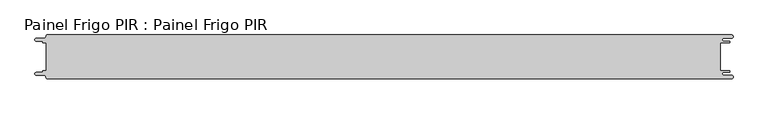
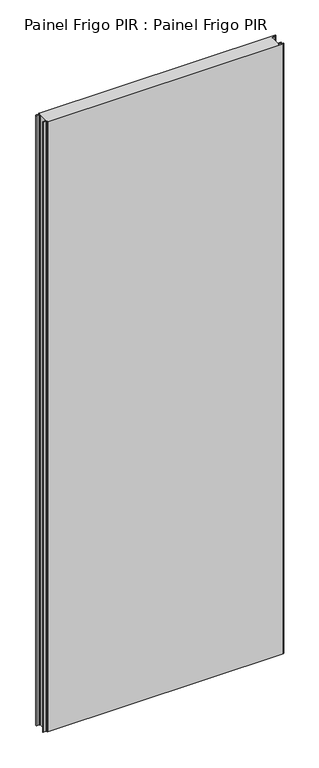
"""IFC4 building model written with IfcOpenShell, lengths in millimetres: proxy geometry, Painel Frigo PIR : Painel Frigo PIR."""

from ifc_helpers import new_model, si_unit, frame, origin, place, context, project, spatial, polyline, circle_curve, source, transform, mapped, element, save
from ifc_brep_helpers import plane_surface, cylinder_surface, revolved_surface, advanced_brep


def painel_frigo_pir_painel_frigo_pir_8b72d2b6(model_context):
    return source(origin(), model_context, "Body", "AdvancedBrep", [
        advanced_brep(
        [(-554.5874998, 22.3, 3000.0), (-549.2999612, 22.3, 3000.0), (-549.2999612, -22.2999995, 3000.0), (-554.5874998, -22.2999995, 3000.0), (-555.1875003, -22.9, 3000.0), (-555.1875003, -23.7085185, 3000.0), (-556.5875003, -25.1085185, 3000.0), (-565.565625, -25.1085185, 3000.0), (-565.565625, -29.5085185, 3000.0), (-553.55, -29.5085185, 3000.0), (-550.0, -33.0585185, 3000.0), (-548.05, -35.0, 3000.0), (546.89375, -35.0, 3000.0), (546.89375, -29.725, 3000.0), (534.45625, -29.725, 3000.0), (534.45625, -24.875, 3000.0), (543.1187503, -24.875, 3000.0), (543.1187503, -22.3, 3000.0), (529.2687503, -22.3, 3000.0), (529.2687503, 22.3, 3000.0), (543.1187503, 22.3, 3000.0), (543.1187503, 24.875, 3000.0), (534.45625, 24.875, 3000.0), (534.45625, 29.725, 3000.0), (546.89375, 29.725, 3000.0), (546.89375, 35.0, 3000.0), (-548.05, 35.0, 3000.0), (-550.0, 33.05, 3000.0), (-553.55, 29.5085185, 3000.0), (-565.565625, 29.5085185, 3000.0), (-565.565625, 25.1085187, 3000.0), (-556.5875001, 25.1085187, 3000.0), (-555.1874998, 23.7085184, 3000.0), (-555.1874998, 22.9, 3000.0), (-554.5874998, 22.3, 0.0), (-555.1874998, 22.9, 0.0), (-555.1874998, 23.7085184, 0.0), (-556.5875001, 25.1085187, 0.0), (-565.565625, 25.1085187, 0.0), (-565.565625, 29.5085185, 0.0), (-553.55, 29.5085185, 0.0), (-550.0, 33.0585185, 0.0), (-548.05, 35.0, 0.0), (546.89375, 35.0, 0.0), (546.89375, 29.725, 0.0), (534.45625, 29.725, 0.0), (534.45625, 24.875, 0.0), (543.1187503, 24.875, 0.0), (543.1187503, 22.3, 0.0), (529.2687503, 22.3, 0.0), (529.2687503, -22.3, 0.0), (543.1187503, -22.3, 0.0), (543.1187503, -24.875, 0.0), (534.45625, -24.875, 0.0), (534.45625, -29.725, 0.0), (546.89375, -29.725, 0.0), (546.89375, -35.0, 0.0), (-548.05, -35.0, 0.0), (-550.0, -33.05, 0.0), (-553.55, -29.5085185, 0.0), (-565.565625, -29.5085185, 0.0), (-565.565625, -25.1085185, 0.0), (-556.5875003, -25.1085185, 0.0), (-555.1875003, -23.7085185, 0.0), (-555.1875003, -22.9, 0.0), (-554.5874998, -22.2999995, 0.0), (-549.2999612, -22.2999995, 0.0), (-549.2999612, 22.3, 0.0)],
        [
            (0, 1),
            (1, 2),
            (2, 3),
            (3, 4, circle_curve(frame((-554.5874998, -22.9, 3000.0), z_axis=(0.0, 0.0, 1.0), x_axis=(1.0, 0.0, 0.0)), 0.6000005)),
            (4, 5),
            (5, 6, circle_curve(frame((-556.5875003, -23.7085185, 3000.0), z_axis=(0.0, 0.0, -1.0), x_axis=(1.0, 0.0, 0.0)), 1.4)),
            (6, 7),
            (7, 8, circle_curve(frame((-565.565625, -27.3085185, 3000.0), z_axis=(0.0, 0.0, 1.0), x_axis=(1.0, 0.0, 0.0)), 2.2)),
            (8, 9),
            (9, 10, circle_curve(frame((-553.55, -33.0585185, 3000.0), z_axis=(0.0, 0.0, -1.0), x_axis=(1.0, 0.0, 0.0)), 3.55)),
            (10, 11, circle_curve(frame((-548.05, -33.05, 3000.0), z_axis=(0.0, 0.0, 1.0), x_axis=(1.0, 0.0, 0.0)), 1.95)),
            (11, 12),
            (12, 13, circle_curve(frame((546.89375, -32.3625, 3000.0), z_axis=(0.0, 0.0, 1.0), x_axis=(1.0, 0.0, 0.0)), 2.6375)),
            (13, 14),
            (14, 15, circle_curve(frame((534.45625, -27.3, 3000.0), z_axis=(0.0, 0.0, -1.0), x_axis=(1.0, 0.0, 0.0)), 2.425)),
            (15, 16),
            (16, 17, circle_curve(frame((543.1187503, -23.5875, 3000.0), z_axis=(0.0, 0.0, 1.0), x_axis=(1.0, 0.0, 0.0)), 1.2875)),
            (17, 18),
            (18, 19),
            (19, 20),
            (20, 21, circle_curve(frame((543.1187503, 23.5875, 3000.0), z_axis=(0.0, 0.0, 1.0), x_axis=(1.0, 0.0, 0.0)), 1.2875)),
            (21, 22),
            (22, 23, circle_curve(frame((534.45625, 27.3, 3000.0), z_axis=(0.0, 0.0, -1.0), x_axis=(1.0, 0.0, 0.0)), 2.425)),
            (23, 24),
            (24, 25, circle_curve(frame((546.89375, 32.3625, 3000.0), z_axis=(0.0, 0.0, 1.0), x_axis=(1.0, 0.0, 0.0)), 2.6375)),
            (25, 26),
            (26, 27, circle_curve(frame((-548.05, 33.05, 3000.0), z_axis=(0.0, 0.0, 1.0), x_axis=(1.0, 0.0, 0.0)), 1.95)),
            (27, 28, circle_curve(frame((-553.55, 33.0585185, 3000.0), z_axis=(0.0, 0.0, -1.0), x_axis=(1.0, 0.0, 0.0)), 3.55)),
            (28, 29),
            (29, 30, circle_curve(frame((-565.565625, 27.3085186, 3000.0), z_axis=(0.0, 0.0, 1.0), x_axis=(1.0, 0.0, 0.0)), 2.1999999)),
            (30, 31),
            (31, 32, circle_curve(frame((-556.5875001, 23.7085184, 3000.0), z_axis=(0.0, 0.0, -1.0), x_axis=(1.0, 0.0, 0.0)), 1.4000003)),
            (32, 33),
            (33, 0, circle_curve(frame((-554.5874998, 22.9, 3000.0), z_axis=(0.0, 0.0, 1.0), x_axis=(1.0, 0.0, 0.0)), 0.6)),
            (34, 35, circle_curve(frame((-554.5874998, 22.9, 0.0), z_axis=(0.0, 0.0, -1.0), x_axis=(1.0, 0.0, 0.0)), 0.6)),
            (35, 36),
            (36, 37, circle_curve(frame((-556.5875001, 23.7085184, 0.0), z_axis=(0.0, 0.0, 1.0), x_axis=(1.0, 0.0, 0.0)), 1.4000003)),
            (37, 38),
            (38, 39, circle_curve(frame((-565.565625, 27.3085186, 0.0), z_axis=(0.0, 0.0, -1.0), x_axis=(1.0, 0.0, 0.0)), 2.1999999)),
            (39, 40),
            (40, 41, circle_curve(frame((-553.55, 33.0585185, 0.0), z_axis=(0.0, 0.0, 1.0), x_axis=(1.0, 0.0, 0.0)), 3.55)),
            (41, 42, circle_curve(frame((-548.05, 33.05, 0.0), z_axis=(0.0, 0.0, -1.0), x_axis=(1.0, 0.0, 0.0)), 1.95)),
            (42, 43),
            (43, 44, circle_curve(frame((546.89375, 32.3625, 0.0), z_axis=(0.0, 0.0, -1.0), x_axis=(1.0, 0.0, 0.0)), 2.6375)),
            (44, 45),
            (45, 46, circle_curve(frame((534.45625, 27.3, 0.0), z_axis=(0.0, 0.0, 1.0), x_axis=(1.0, 0.0, 0.0)), 2.425)),
            (46, 47),
            (47, 48, circle_curve(frame((543.1187503, 23.5875, 0.0), z_axis=(0.0, 0.0, -1.0), x_axis=(1.0, 0.0, 0.0)), 1.2875)),
            (48, 49),
            (49, 50),
            (50, 51),
            (51, 52, circle_curve(frame((543.1187503, -23.5875, 0.0), z_axis=(0.0, 0.0, -1.0), x_axis=(1.0, 0.0, 0.0)), 1.2875)),
            (52, 53),
            (53, 54, circle_curve(frame((534.45625, -27.3, 0.0), z_axis=(0.0, 0.0, 1.0), x_axis=(1.0, 0.0, 0.0)), 2.425)),
            (54, 55),
            (55, 56, circle_curve(frame((546.89375, -32.3625, 0.0), z_axis=(0.0, 0.0, -1.0), x_axis=(1.0, 0.0, 0.0)), 2.6375)),
            (56, 57),
            (57, 58, circle_curve(frame((-548.05, -33.05, 0.0), z_axis=(0.0, 0.0, -1.0), x_axis=(1.0, 0.0, 0.0)), 1.95)),
            (58, 59, circle_curve(frame((-553.55, -33.0585185, 0.0), z_axis=(0.0, 0.0, 1.0), x_axis=(1.0, 0.0, 0.0)), 3.55)),
            (59, 60),
            (60, 61, circle_curve(frame((-565.565625, -27.3085185, 0.0), z_axis=(0.0, 0.0, -1.0), x_axis=(1.0, 0.0, 0.0)), 2.2)),
            (61, 62),
            (62, 63, circle_curve(frame((-556.5875003, -23.7085185, 0.0), z_axis=(0.0, 0.0, 1.0), x_axis=(1.0, 0.0, 0.0)), 1.4)),
            (63, 64),
            (64, 65, circle_curve(frame((-554.5874998, -22.9, 0.0), z_axis=(0.0, 0.0, -1.0), x_axis=(1.0, 0.0, 0.0)), 0.6000005)),
            (65, 66),
            (66, 67),
            (67, 34),
            (0, 34),
            (67, 1),
            (66, 2),
            (65, 3),
            (64, 4),
            (63, 5),
            (62, 6),
            (61, 7),
            (60, 8),
            (59, 9),
            (58, 10),
            (57, 11),
            (56, 12),
            (18, 50),
            (49, 19),
            (48, 20),
            (47, 21),
            (46, 22),
            (45, 23),
            (44, 24),
            (43, 25),
            (42, 26),
            (41, 27),
            (40, 28),
            (39, 29),
            (38, 30),
            (37, 31),
            (36, 32),
            (35, 33),
            (55, 13),
            (54, 14),
            (53, 15),
            (52, 16),
            (51, 17),
        ],
        [
            plane_surface(frame((-549.2999612, 22.3, 3000.0), z_axis=(0.0, 0.0, 1.0), x_axis=(1.0, 0.0, 0.0))),
            plane_surface(frame((-549.2999612, 22.3, 0.0), z_axis=(0.0, 0.0, -1.0), x_axis=(-1.0, 0.0, 0.0))),
            plane_surface(frame((-554.5874998, 22.3, 3000.0), z_axis=(0.0, -1.0, 0.0), x_axis=(0.0, 0.0, -1.0))),
            plane_surface(frame((-549.2999612, 22.3, 3000.0), z_axis=(-1.0, 0.0, 0.0), x_axis=(0.0, 0.0, -1.0))),
            plane_surface(frame((-549.2999612, -22.2999995, 3000.0), z_axis=(0.0, 1.0, 0.0), x_axis=(0.0, 0.0, -1.0))),
            cylinder_surface(frame((-554.5874998, -22.9, 0.0), z_axis=(0.0, 0.0, 1.0), x_axis=(1.0, 0.0, 0.0)), 0.6000005),
            plane_surface(frame((-555.1875003, -22.9, 3000.0), z_axis=(-1.0, 1.7578608662329244e-12, 0.0), x_axis=(0.0, 0.0, -1.0))),
            revolved_surface(polyline([(-555.1875003, -23.7085185, 0.0), (-555.1875003, -23.7085185, 3000.0)]), (-556.5875003, -23.7085185, 0.0), (0.0, 0.0, -1.0)),
            plane_surface(frame((-556.5875003, -25.1085185, 3000.0), z_axis=(0.0, 1.0, 0.0), x_axis=(0.0, 0.0, -1.0))),
            cylinder_surface(frame((-565.565625, -27.3085185, 0.0), z_axis=(0.0, 0.0, 1.0), x_axis=(1.0, 0.0, 0.0)), 2.2),
            plane_surface(frame((-565.565625, -29.5085185, 3000.0), z_axis=(0.0, -1.0, 0.0), x_axis=(0.0, 0.0, -1.0))),
            revolved_surface(polyline([(-550.0, -33.0585185, 0.0), (-550.0, -33.0585185, 3000.0)]), (-553.55, -33.0585185, 0.0), (0.0, 0.0, -1.0)),
            cylinder_surface(frame((-548.05, -33.05, 0.0), z_axis=(0.0, 0.0, 1.0), x_axis=(1.0, 0.0, 0.0)), 1.95),
            plane_surface(frame((-548.05, -35.0, 3000.0), z_axis=(0.0, -1.0, 0.0), x_axis=(0.0, 0.0, -1.0))),
            plane_surface(frame((529.2687503, -22.3, 3000.0), z_axis=(1.0, 0.0, 0.0), x_axis=(0.0, 0.0, -1.0))),
            plane_surface(frame((529.2687503, 22.3, 3000.0), z_axis=(0.0, -1.0, 0.0), x_axis=(0.0, 0.0, -1.0))),
            cylinder_surface(frame((543.1187503, 23.5875, 0.0), z_axis=(0.0, 0.0, 1.0), x_axis=(1.0, 0.0, 0.0)), 1.2875),
            plane_surface(frame((543.1187503, 24.875, 3000.0), z_axis=(0.0, 1.0, 0.0), x_axis=(0.0, 0.0, -1.0))),
            revolved_surface(polyline([(536.8812499999999, 27.3, 0.0), (536.8812499999999, 27.3, 3000.0)]), (534.45625, 27.3, 0.0), (0.0, 0.0, -1.0)),
            plane_surface(frame((534.45625, 29.725, 3000.0), z_axis=(0.0, -1.0, 0.0), x_axis=(0.0, 0.0, -1.0))),
            cylinder_surface(frame((546.89375, 32.3625, 0.0), z_axis=(0.0, 0.0, 1.0), x_axis=(1.0, 0.0, 0.0)), 2.6375),
            plane_surface(frame((546.89375, 35.0, 3000.0), z_axis=(0.0, 1.0, 0.0), x_axis=(0.0, 0.0, -1.0))),
            cylinder_surface(frame((-548.05, 33.05, 0.0), z_axis=(0.0, 0.0, 1.0), x_axis=(1.0, 0.0, 0.0)), 1.95),
            revolved_surface(polyline([(-550.0, 33.0585185, 0.0), (-550.0, 33.0585185, 3000.0)]), (-553.55, 33.0585185, 0.0), (0.0, 0.0, -1.0)),
            plane_surface(frame((-553.55, 29.5085185, 3000.0), z_axis=(0.0, 1.0, 0.0), x_axis=(0.0, 0.0, -1.0))),
            cylinder_surface(frame((-565.565625, 27.3085186, 0.0), z_axis=(0.0, 0.0, 1.0), x_axis=(1.0, 0.0, 0.0)), 2.1999999),
            plane_surface(frame((-565.565625, 25.1085187, 3000.0), z_axis=(0.0, -1.0, 0.0), x_axis=(0.0, 0.0, -1.0))),
            revolved_surface(polyline([(-555.1874998000001, 23.7085184, 0.0), (-555.1874998000001, 23.7085184, 3000.0)]), (-556.5875001, 23.7085184, 0.0), (0.0, 0.0, -1.0)),
            plane_surface(frame((-555.1874998, 23.7085184, 3000.0), z_axis=(-1.0, 0.0, 0.0), x_axis=(0.0, 0.0, -1.0))),
            cylinder_surface(frame((-554.5874998, 22.9, 0.0), z_axis=(0.0, 0.0, 1.0), x_axis=(1.0, 0.0, 0.0)), 0.6),
            cylinder_surface(frame((546.89375, -32.3625, 0.0), z_axis=(0.0, 0.0, 1.0), x_axis=(1.0, 0.0, 0.0)), 2.6375),
            plane_surface(frame((546.89375, -29.725, 3000.0), z_axis=(0.0, 1.0, 0.0), x_axis=(0.0, 0.0, -1.0))),
            revolved_surface(polyline([(536.8812499999999, -27.3, 0.0), (536.8812499999999, -27.3, 3000.0)]), (534.45625, -27.3, 0.0), (0.0, 0.0, -1.0)),
            plane_surface(frame((534.45625, -24.875, 3000.0), z_axis=(0.0, -1.0, 0.0), x_axis=(0.0, 0.0, -1.0))),
            cylinder_surface(frame((543.1187503, -23.5875, 0.0), z_axis=(0.0, 0.0, 1.0), x_axis=(1.0, 0.0, 0.0)), 1.2875),
            plane_surface(frame((543.1187503, -22.3, 3000.0), z_axis=(0.0, 1.0, 0.0), x_axis=(0.0, 0.0, -1.0))),
        ],
        [
            (0, [[1, 2, 3, 4, 5, 6, 7, 8, 9, 10, 11, 12, 13, 14, 15, 16, 17, 18, 19, 20, 21, 22, 23, 24, 25, 26, 27, 28, 29, 30, 31, 32, 33, 34]]),
            (1, [[35, 36, 37, 38, 39, 40, 41, 42, 43, 44, 45, 46, 47, 48, 49, 50, 51, 52, 53, 54, 55, 56, 57, 58, 59, 60, 61, 62, 63, 64, 65, 66, 67, 68]]),
            (2, [[-1, 69, -68, 70]]),
            (3, [[-2, -70, -67, 71]]),
            (4, [[-3, -71, -66, 72]]),
            (5, [[-4, -72, -65, 73]]),
            (6, [[-5, -73, -64, 74]]),
            (7, [[-6, -74, -63, 75]]),
            (8, [[-7, -75, -62, 76]]),
            (9, [[-8, -76, -61, 77]]),
            (10, [[-9, -77, -60, 78]]),
            (11, [[-10, -78, -59, 79]]),
            (12, [[-11, -79, -58, 80]]),
            (13, [[-12, -80, -57, 81]]),
            (14, [[-19, 82, -50, 83]]),
            (15, [[-20, -83, -49, 84]]),
            (16, [[-21, -84, -48, 85]]),
            (17, [[-22, -85, -47, 86]]),
            (18, [[-23, -86, -46, 87]]),
            (19, [[-24, -87, -45, 88]]),
            (20, [[-25, -88, -44, 89]]),
            (21, [[-26, -89, -43, 90]]),
            (22, [[-27, -90, -42, 91]]),
            (23, [[-28, -91, -41, 92]]),
            (24, [[-29, -92, -40, 93]]),
            (25, [[-30, -93, -39, 94]]),
            (26, [[-31, -94, -38, 95]]),
            (27, [[-32, -95, -37, 96]]),
            (28, [[-33, -96, -36, 97]]),
            (29, [[-34, -97, -35, -69]]),
            (30, [[-13, -81, -56, 98]]),
            (31, [[-14, -98, -55, 99]]),
            (32, [[-15, -99, -54, 100]]),
            (33, [[-16, -100, -53, 101]]),
            (34, [[-17, -101, -52, 102]]),
            (35, [[-18, -102, -51, -82]]),
        ],
    ),
    ])


if __name__ == "__main__":
    model = new_model("IFC4")
    model_context = context("Model", 3, world=origin())
    ifc_project = project(units=[si_unit("LENGTHUNIT", "METRE", prefix="MILLI")], contexts=[model_context])
    site = spatial("IfcSite", under=ifc_project)
    building = spatial("IfcBuilding", under=site)
    placement = place(None, origin())
    painel_frigo_pir_painel_frigo_pir_shape = painel_frigo_pir_painel_frigo_pir_8b72d2b6(model_context)
    element("IfcBuildingElementProxy", 1, Name="Painel Frigo PIR : Painel Frigo PIR", ObjectType="Painel Frigo PIR : Painel Frigo PIR", at=placement, inside=building, context=model_context, shape_type="MappedRepresentation", body=[
        mapped(painel_frigo_pir_painel_frigo_pir_shape, transform((0.0, 0.0, 0.0), x_axis=(1.0, 0.0, 0.0), y_axis=(0.0, 1.0, 0.0), z_axis=(0.0, 0.0, 1.0))),
    ])
    save(model, "model.ifc")
